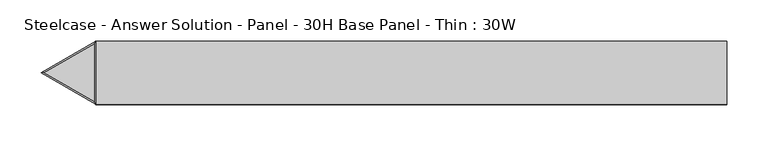
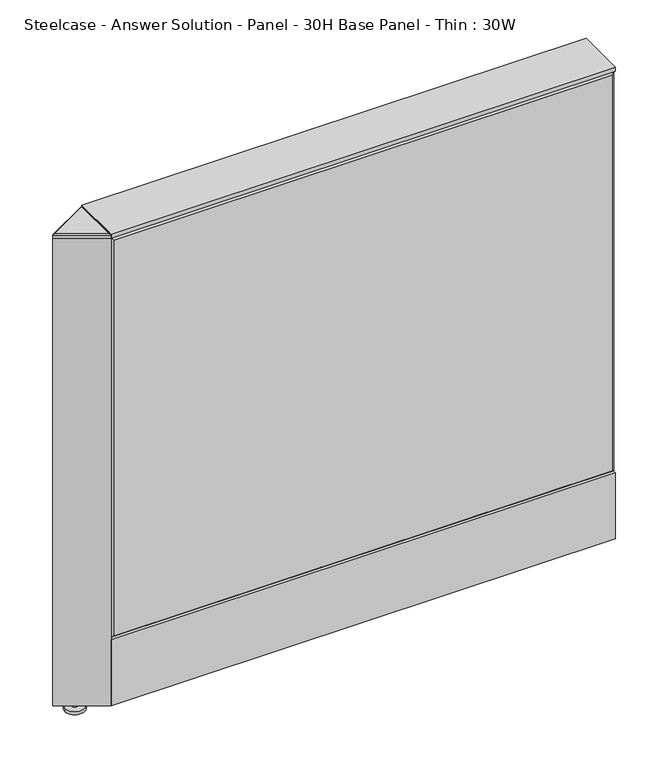
"""IFC4 building model written with IfcOpenShell, lengths in millimetres: furniture geometry, Steelcase - Answer Solution - Panel - 30H Base Panel - Thin : 30W."""

from ifc_helpers import new_model, si_unit, point, frame, frame_2d, origin, place, context, project, spatial, polyline, circle_curve, ellipse_curve, trimmed, segment, composite_curve, outline, extrude, faceted_brep, source, transform, mapped, element, save
from ifc_brep_helpers import plane_surface, cylinder_surface, advanced_brep


def steelcase_answer_solution_panel_30h_base_panel_thin_30w_e0ad03e0(model_context):
    return source(origin(), model_context, "Body", "SolidModel", [
        extrude(outline(polyline([(-37.3075215, 119.8575157), (-37.3075215, 15.494), (-38.1000194, 15.494), (-38.1000194, 120.65), (-25.4000011, 120.65), (-25.4000011, 119.8575157), (-37.3075215, 119.8575157)])), frame((-381.0, 0.0, 0.0), z_axis=(1.0, 0.0, 0.0), x_axis=(0.0, 1.0, 0.0)), (0.0, 0.0, 1.0), 762.0),
        extrude(outline(polyline([(37.3075215, 119.8575157), (25.4000011, 119.8575157), (25.4000011, 120.65), (38.1000194, 120.65), (38.1000194, 15.494), (37.3075215, 15.494), (37.3075215, 119.8575157)])), frame((-381.0, 0.0, 0.0), z_axis=(1.0, 0.0, 0.0), x_axis=(0.0, 1.0, 0.0)), (0.0, 0.0, 1.0), 762.0),
        extrude(outline(composite_curve([segment(trimmed(circle_curve(frame_2d((-414.02, 0.0)), 5.08), [point((-419.1, 0.0))], [point((-408.94, 0.0))], False, "CARTESIAN"), True, "CONTINUOUS"), segment(trimmed(circle_curve(frame_2d((-414.02, 0.0)), 5.08), [point((-408.94, 0.0))], [point((-419.1, 0.0))], False, "CARTESIAN"), True, "CONTINUOUS")], self_intersect=False)), frame((0.0, 0.0, 5.0799671), z_axis=(0.0, 0.0, 1.0), x_axis=(1.0, 0.0, 0.0)), (0.0, 0.0, 1.0), 10.414),
        extrude(outline(composite_curve([segment(trimmed(circle_curve(frame_2d((-414.02, 0.0)), 15.24), [point((-429.26, 0.0))], [point((-398.78, 0.0))], False, "CARTESIAN"), True, "CONTINUOUS"), segment(trimmed(circle_curve(frame_2d((-414.02, 0.0)), 15.24), [point((-398.78, 0.0))], [point((-429.26, 0.0))], False, "CARTESIAN"), True, "CONTINUOUS")], self_intersect=False)), frame((0.0, 0.0, -3.29e-05), z_axis=(0.0, 0.0, 1.0), x_axis=(1.0, 0.0, 0.0)), (0.0, 0.0, 1.0), 5.08),
        advanced_brep(
        [(-381.0, -38.0999806, 766.5719671), (-381.0, 38.0999806, 766.5719671), (-382.778, 35.0204505, 768.3499671), (-382.778, -35.0204505, 768.3499671), (-381.0, 38.0999806, 761.9999671), (-381.0, -38.0999806, 761.9999671), (-446.9935144, 0.0, 761.9999671), (-443.4374169, 0.0, 768.3499671), (-446.9935144, 0.0, 766.5719671)],
        [
            (0, 1),
            (1, 2, ellipse_curve(frame((-382.905, 34.8004841, 766.4449671), z_axis=(0.8660214466728028, -0.5000068538557705, 0.0), x_axis=(0.5000068538557705, 0.8660214466728027, 0.0)), 3.8184049, 1.9092286)),
            (2, 3),
            (3, 0, ellipse_curve(frame((-382.905, -34.8004841, 766.4449671), z_axis=(0.8660214466726878, 0.5000068538559698, 0.0), x_axis=(-0.5000068538559699, 0.8660214466726878, 0.0)), 3.8184049, 1.9092286)),
            (4, 5),
            (5, 6),
            (6, 4),
            (4, 1),
            (0, 5),
            (2, 7),
            (7, 3),
            (7, 8, ellipse_curve(frame((-443.18341, 0.0, 766.4449671), z_axis=(0.0, -1.0, 0.0), x_axis=(0.9999999999999999, 0.0, 0.0)), 3.818562, 1.9092286)),
            (8, 0),
            (1, 8),
            (8, 6),
        ],
        [
            cylinder_surface(frame((-382.905, 38.0999806, 766.4449671), z_axis=(0.0, 1.0, 0.0), x_axis=(-1.0, 0.0, 0.0)), 1.9092286),
            plane_surface(frame((-381.0, -38.1283425, 761.9999671), z_axis=(0.0, 0.0, -1.0), x_axis=(0.0, 1.0, 0.0))),
            plane_surface(frame((-381.0, 38.0999806, 766.5719671), z_axis=(1.0, 0.0, 0.0), x_axis=(0.0, 0.0, -1.0))),
            plane_surface(frame((-382.778, 35.0204505, 768.3499671), z_axis=(0.0, 0.0, 1.0), x_axis=(0.866033317844983, 0.4999862921945067, 0.0))),
            cylinder_surface(frame((-380.0475261, -36.4501871, 766.4449671), z_axis=(0.8660333178452112, -0.49998629219411167, 0.0), x_axis=(0.49998629219411167, 0.8660333178452112, 0.0)), 1.9092286),
            cylinder_surface(frame((-446.0410405, -1.6497935, 766.4449671), z_axis=(-0.866033317844983, -0.49998629219450663, 0.0), x_axis=(0.49998629219450663, -0.866033317844983, 0.0)), 1.9092286),
            plane_surface(frame((-381.0, -38.0999806, 766.5719671), z_axis=(-0.4999862921941116, -0.8660333178452111, 0.0), x_axis=(0.0, 0.0, -1.0))),
            plane_surface(frame((-446.9935144, 0.0, 766.5719671), z_axis=(-0.49998629219412366, 0.8660333178452042, 0.0), x_axis=(0.0, 0.0, -1.0))),
        ],
        [
            (0, [[1, 2, 3, 4]]),
            (1, [[5, 6, 7]]),
            (2, [[8, -1, 9, -5]]),
            (3, [[-3, 10, 11]]),
            (4, [[-11, 12, 13, -4]]),
            (5, [[-10, -2, 14, -12]]),
            (6, [[-9, -13, 15, -6]]),
            (7, [[-15, -14, -8, -7]]),
        ],
    ),
        extrude(outline(polyline([(-381.0, -38.0999806), (-446.9935144, 0.0), (-381.0, 38.0999806), (-381.0, -38.0999806)])), frame((0.0, 0.0, 15.4939671), z_axis=(0.0, 0.0, 1.0), x_axis=(1.0, 0.0, 0.0)), (0.0, 0.0, 1.0), 746.506),
        faceted_brep([(376.174, -38.100001, 757.174), (-376.174, -38.100001, 757.174), (-376.174, -38.100001, 125.476), (376.174, -38.100001, 125.476), (381.0, -33.274001, 762.0), (381.0, -33.274001, 120.65), (-381.0, -33.274001, 120.65), (-381.0, -33.274001, 762.0)], [[[0, 1, 2, 3]], [[4, 5, 6, 7]], [[4, 7, 1, 0]], [[7, 6, 2, 1]], [[6, 5, 3, 2]], [[5, 4, 0, 3]]]),
        faceted_brep([(376.174, 38.100001, 757.174), (376.174, 38.100001, 125.476), (-376.174, 38.100001, 125.476), (-376.174, 38.100001, 757.174), (381.0, 33.274001, 762.0), (-381.0, 33.274001, 762.0), (-381.0, 33.274001, 120.65), (381.0, 33.274001, 120.65)], [[[0, 1, 2, 3]], [[4, 5, 6, 7]], [[4, 0, 3, 5]], [[5, 3, 2, 6]], [[6, 2, 1, 7]], [[7, 1, 0, 4]]]),
        extrude(outline(polyline([(381.0, -38.1000194), (-381.0, -38.1000194), (-381.0, 38.1000194), (381.0, 38.1000194), (381.0, -38.1000194)])), frame((0.0, 0.0, 762.0), z_axis=(0.0, 0.0, 1.0), x_axis=(1.0, 0.0, 0.0)), (0.0, 0.0, 1.0), 6.35),
    ])


if __name__ == "__main__":
    model = new_model("IFC4")
    model_context = context("Model", 3, world=origin())
    ifc_project = project(units=[si_unit("LENGTHUNIT", "METRE", prefix="MILLI")], contexts=[model_context])
    site = spatial("IfcSite", under=ifc_project)
    building = spatial("IfcBuilding", under=site)
    placement = place(None, origin())
    steelcase_answer_solution_panel_30h_base_panel_thin_30w_shape = steelcase_answer_solution_panel_30h_base_panel_thin_30w_e0ad03e0(model_context)
    element("IfcFurniture", 1, ObjectType="Steelcase - Answer Solution - Panel - 30H Base Panel - Thin : 30W", at=placement, inside=building, context=model_context, shape_type="MappedRepresentation", body=[
        mapped(steelcase_answer_solution_panel_30h_base_panel_thin_30w_shape, transform((0.0, 0.0, 0.0), x_axis=(1.0, 0.0, 0.0), y_axis=(0.0, 1.0, 0.0), z_axis=(0.0, 0.0, 1.0))),
    ])
    save(model, "model.ifc")
